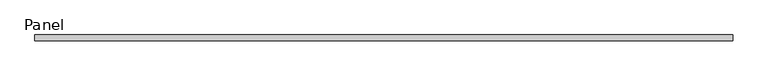
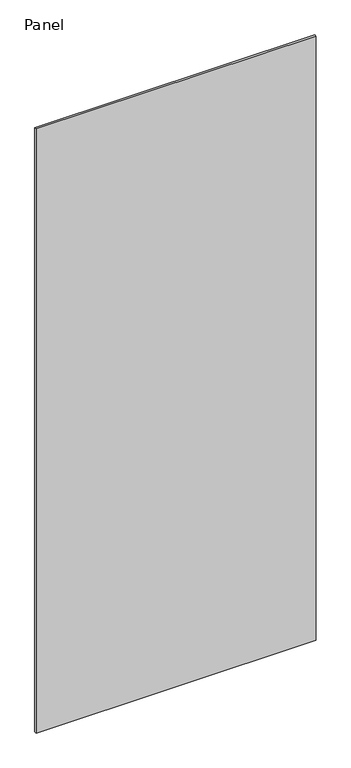
"""IFC4 building model written with IfcOpenShell, lengths in millimetres: plate geometry, Panel."""

from ifc_helpers import new_model, si_unit, frame, origin, place, context, project, spatial, polyline, outline, extrude, source, transform, mapped, element, save


def panel_6d21359b(model_context):
    return source(origin(), model_context, "Body", "SweptSolid", [
        extrude(outline(polyline([(576.2625, 31.75), (-592.1375, 31.75), (-592.1375, 41.275), (576.2625, 41.275), (576.2625, 31.75)])), frame((0.0, 0.0, -25.4), z_axis=(0.0, 0.0, 1.0), x_axis=(1.0, 0.0, 0.0)), (0.0, 0.0, 1.0), 2663.825),
    ])


if __name__ == "__main__":
    model = new_model("IFC4")
    model_context = context("Model", 3, world=origin())
    ifc_project = project(units=[si_unit("LENGTHUNIT", "METRE", prefix="MILLI")], contexts=[model_context])
    site = spatial("IfcSite", under=ifc_project)
    building = spatial("IfcBuilding", under=site)
    placement = place(None, origin())
    panel_shape = panel_6d21359b(model_context)
    element("IfcPlate", 1, ObjectType="Panel", at=placement, inside=building, context=model_context, shape_type="MappedRepresentation", body=[
        mapped(panel_shape, transform((0.0, 0.0, 0.0), x_axis=(1.0, 0.0, 0.0), y_axis=(0.0, 1.0, 0.0), z_axis=(0.0, 0.0, 1.0))),
    ])
    save(model, "model.ifc")
